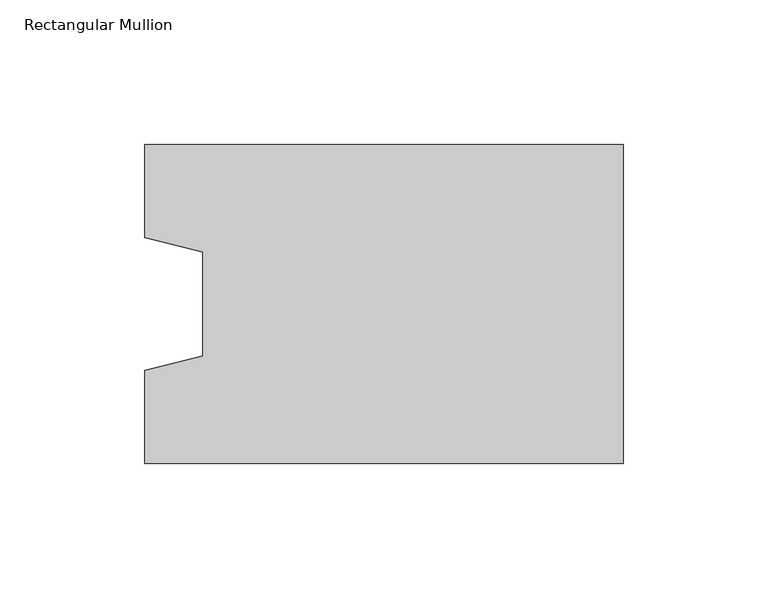
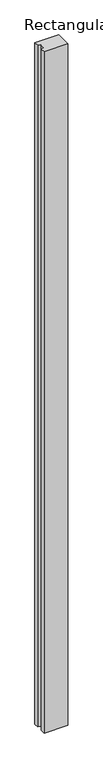
"""IFC4 building model written with IfcOpenShell, lengths in millimetres: column geometry, Rectangular Mullion."""

from ifc_helpers import new_model, si_unit, frame, origin, place, context, project, spatial, polyline, outline, extrude, source, transform, mapped, element, save


def rectangular_mullion_4ab70dd2(model_context):
    return source(origin(), model_context, "Body", "SweptSolid", [
        extrude(outline(polyline([(-165.0, -55.0), (-165.0, -23.0), (-145.0, -18.0), (-145.0, 18.0), (-165.0, 23.0), (-165.0, 55.0), (0.0, 55.0), (0.0, -55.0), (-165.0, -55.0)])), frame((0.0, 0.0, -5000.0), z_axis=(0.0, 0.0, 1.0), x_axis=(1.0, 0.0, 0.0)), (0.0, 0.0, 1.0), 5000.0),
    ])


if __name__ == "__main__":
    model = new_model("IFC4")
    model_context = context("Model", 3, world=origin())
    ifc_project = project(units=[si_unit("LENGTHUNIT", "METRE", prefix="MILLI")], contexts=[model_context])
    site = spatial("IfcSite", under=ifc_project)
    building = spatial("IfcBuilding", under=site)
    placement = place(None, origin())
    rectangular_mullion_shape = rectangular_mullion_4ab70dd2(model_context)
    element("IfcColumn", 1, ObjectType="Rectangular Mullion", at=placement, inside=building, context=model_context, shape_type="MappedRepresentation", body=[
        mapped(rectangular_mullion_shape, transform((0.0, 0.0, 0.0), x_axis=(1.0, 0.0, 0.0), y_axis=(0.0, 1.0, 0.0), z_axis=(0.0, 0.0, 1.0))),
    ])
    save(model, "model.ifc")
